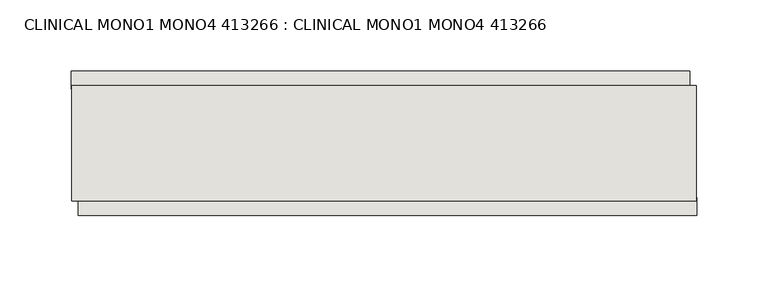
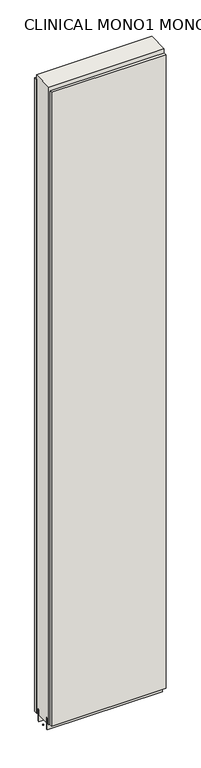
"""IFC4 building model written with IfcOpenShell, lengths in millimetres: wall geometry, CLINICAL MONO1 MONO4 413266 : CLINICAL MONO1 MONO4 413266."""

from ifc_helpers import new_model, si_unit, frame, origin, place, context, project, spatial, polyline, outline, extrude, source, transform, mapped, element, save


def clinical_mono1_mono4_413266_clinical_mono1_mono4_413266_681159c8(model_context):
    return source(origin(), model_context, "Body", "SweptSolid", [
        extrude(outline(polyline([(77540.2022218, -40210.4745954), (77537.6622218, -40210.4745954), (77537.6622218, -40207.9345954), (77540.2022218, -40207.9345954), (77540.2022218, -40210.4745954)])), frame((0.0, 0.0, 4419.6), z_axis=(0.0, 0.0, 1.0), x_axis=(1.0, 0.0, 0.0)), (0.0, 0.0, 1.0), 2.54),
        extrude(outline(polyline([(77537.1925631, -40158.4045954), (77972.2486653, -40158.4045954), (77972.2486653, -40171.1045954), (77537.1925631, -40171.1045954), (77537.1925631, -40158.4045954)])), frame((0.0, 0.0, 4445.0), z_axis=(0.0, 0.0, 1.0), x_axis=(1.0, 0.0, 0.0)), (0.0, 0.0, 1.0), 2545.0498756),
        extrude(outline(polyline([(77977.1847997, -40260.0045954), (77542.1286975, -40260.0045954), (77542.1286975, -40247.3045954), (77977.1847997, -40247.3045954), (77977.1847997, -40260.0045954)])), frame((0.0, 0.0, 4445.0), z_axis=(0.0, 0.0, 1.0), x_axis=(1.0, 0.0, 0.0)), (0.0, 0.0, 1.0), 2545.0498756),
        extrude(outline(polyline([(77976.703965, -40184.1208508), (77537.6671748, -40184.1208508), (77537.6671748, -40179.0420954), (77976.703965, -40179.0420954), (77976.703965, -40184.1208508)])), frame((0.0, 0.0, 4418.6602), z_axis=(0.0, 0.0, 1.0), x_axis=(1.0, 0.0, 0.0)), (0.0, 0.0, 1.0), 47.625),
        extrude(outline(polyline([(77976.703965, -40184.1208508), (77537.6671748, -40184.1208508), (77537.6671748, -40179.0420954), (77976.703965, -40179.0420954), (77976.703965, -40184.1208508)])), frame((0.0, 0.0, 4418.6602), z_axis=(0.0, 0.0, 1.0), x_axis=(1.0, 0.0, 0.0)), (0.0, 0.0, 1.0), 47.625),
        extrude(outline(polyline([(77537.6671748, -40234.2852412), (77976.703965, -40234.2852412), (77976.703965, -40239.3670954), (77537.6671748, -40239.3670954), (77537.6671748, -40234.2852412)])), frame((0.0, 0.0, 4418.6602), z_axis=(0.0, 0.0, 1.0), x_axis=(1.0, 0.0, 0.0)), (0.0, 0.0, 1.0), 47.625),
        extrude(outline(polyline([(77537.6671748, -40234.2852412), (77976.703965, -40234.2852412), (77976.703965, -40239.3670954), (77537.6671748, -40239.3670954), (77537.6671748, -40234.2852412)])), frame((0.0, 0.0, 4418.6602), z_axis=(0.0, 0.0, 1.0), x_axis=(1.0, 0.0, 0.0)), (0.0, 0.0, 1.0), 47.625),
        extrude(outline(polyline([(77976.703965, -40168.5745014), (77976.703965, -40249.856381), (77537.6671748, -40249.856381), (77537.6671748, -40168.5745014), (77976.703965, -40168.5745014)])), frame((0.0, 0.0, 4445.0), z_axis=(0.0, 0.0, 1.0), x_axis=(1.0, 0.0, 0.0)), (0.0, 0.0, 1.0), 2562.4536762),
    ])


if __name__ == "__main__":
    model = new_model("IFC4")
    model_context = context("Model", 3, world=origin())
    ifc_project = project(units=[si_unit("LENGTHUNIT", "METRE", prefix="MILLI")], contexts=[model_context])
    site = spatial("IfcSite", under=ifc_project)
    building = spatial("IfcBuilding", under=site)
    placement = place(None, origin())
    clinical_mono1_mono4_413266_clinical_mono1_mono4_413266_shape = clinical_mono1_mono4_413266_clinical_mono1_mono4_413266_681159c8(model_context)
    element("IfcWall", 1, ObjectType="CLINICAL MONO1 MONO4 413266 : CLINICAL MONO1 MONO4 413266", at=placement, inside=building, context=model_context, shape_type="MappedRepresentation", body=[
        mapped(clinical_mono1_mono4_413266_clinical_mono1_mono4_413266_shape, transform((0.0, 0.0, 0.0), x_axis=(1.0, 0.0, 0.0), y_axis=(0.0, 1.0, 0.0), z_axis=(0.0, 0.0, 1.0))),
    ])
    save(model, "model.ifc")
